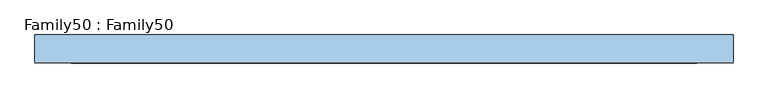
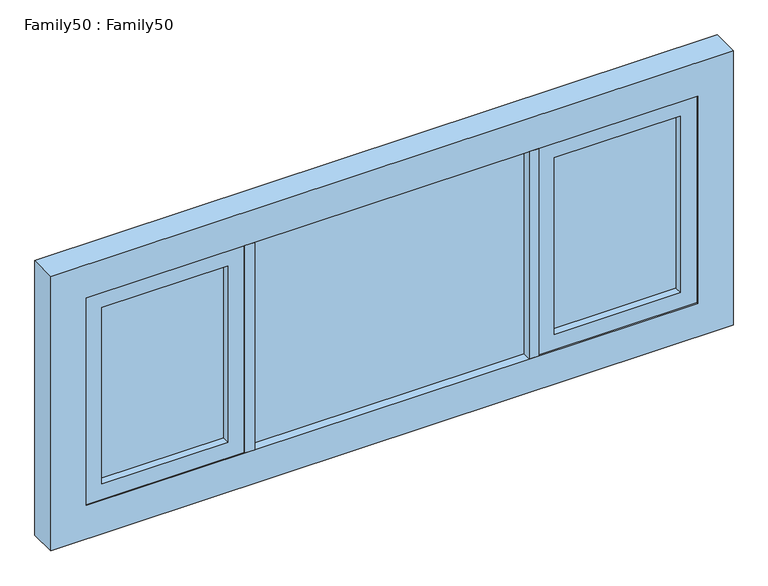
"""IFC4 building model written with IfcOpenShell, lengths in millimetres: window geometry, Family50 : Family50."""

from ifc_helpers import new_model, si_unit, frame, origin, place, context, project, spatial, polyline, outline, extrude, source, transform, mapped, element, save


def family50_family50_3b653a2d(model_context):
    return source(origin(), model_context, "Body", "SweptSolid", [
        extrude(outline(polyline([(420.0, 14.0), (420.0, 10.0), (-420.0, 10.0), (-420.0, 14.0), (420.0, 14.0)])), frame((0.0, 0.0, 909.0), z_axis=(0.0, 0.0, 1.0), x_axis=(1.0, 0.0, 0.0)), (0.0, 0.0, 1.0), 672.0),
        extrude(outline(polyline([(-420.0, -10.0), (420.0, -10.0), (420.0, -14.0), (-420.0, -14.0), (-420.0, -10.0)])), frame((0.0, 0.0, 909.0), z_axis=(0.0, 0.0, 1.0), x_axis=(1.0, 0.0, 0.0)), (0.0, 0.0, 1.0), 672.0),
        extrude(outline(polyline([(-500.0, 14.0), (-500.0, 10.0), (-886.0, 10.0), (-886.0, 14.0), (-500.0, 14.0)])), frame((0.0, 0.0, 959.0), z_axis=(0.0, 0.0, 1.0), x_axis=(1.0, 0.0, 0.0)), (0.0, 0.0, 1.0), 572.0),
        extrude(outline(polyline([(-500.0, -10.0), (-500.0, -14.0), (-886.0, -14.0), (-886.0, -10.0), (-500.0, -10.0)])), frame((0.0, 0.0, 959.0), z_axis=(0.0, 0.0, 1.0), x_axis=(1.0, 0.0, 0.0)), (0.0, 0.0, 1.0), 572.0),
        extrude(outline(polyline([(886.0, 14.0), (886.0, 10.0), (500.0, 10.0), (500.0, 14.0), (886.0, 14.0)])), frame((0.0, 0.0, 959.0), z_axis=(0.0, 0.0, 1.0), x_axis=(1.0, 0.0, 0.0)), (0.0, 0.0, 1.0), 572.0),
        extrude(outline(polyline([(500.0, -10.0), (886.0, -10.0), (886.0, -14.0), (500.0, -14.0), (500.0, -10.0)])), frame((0.0, 0.0, 959.0), z_axis=(0.0, 0.0, 1.0), x_axis=(1.0, 0.0, 0.0)), (0.0, 0.0, 1.0), 572.0),
        extrude(outline(polyline([(450.0, -42.0), (420.0, -42.0), (420.0, 42.0), (450.0, 42.0), (450.0, -42.0)])), frame((0.0, 0.0, 909.0), z_axis=(0.0, 0.0, 1.0), x_axis=(1.0, 0.0, 0.0)), (0.0, 0.0, 1.0), 672.0),
        extrude(outline(polyline([(-420.0, -42.0), (-450.0, -42.0), (-450.0, 42.0), (-420.0, 42.0), (-420.0, -42.0)])), frame((0.0, 0.0, 909.0), z_axis=(0.0, 0.0, 1.0), x_axis=(1.0, 0.0, 0.0)), (0.0, 0.0, 1.0), 672.0),
        extrude(outline(polyline([(1581.0, 450.0), (909.0, 450.0), (909.0, 936.0), (1581.0, 936.0), (1581.0, 450.0)]), holes=[polyline([(959.0, 500.0), (1531.0, 500.0), (1531.0, 886.0), (959.0, 886.0), (959.0, 500.0)])]), frame((0.0, -38.0, 0.0), z_axis=(0.0, 1.0, 0.0), x_axis=(0.0, 0.0, 1.0)), (0.0, 0.0, 1.0), 76.0),
        extrude(outline(polyline([(1581.0, -450.0), (1581.0, -936.0), (909.0, -936.0), (909.0, -450.0), (1581.0, -450.0)]), holes=[polyline([(959.0, -500.0), (959.0, -886.0), (1531.0, -886.0), (1531.0, -500.0), (959.0, -500.0)])]), frame((0.0, -38.0, 0.0), z_axis=(0.0, 1.0, 0.0), x_axis=(0.0, 0.0, 1.0)), (0.0, 0.0, 1.0), 76.0),
        extrude(outline(polyline([(1690.0, 1045.0), (1690.0, -1045.0), (800.0, -1045.0), (800.0, 1045.0), (1690.0, 1045.0)]), holes=[polyline([(909.0, 936.0), (909.0, -936.0), (1581.0, -936.0), (1581.0, 936.0), (909.0, 936.0)])]), frame((0.0, -42.0, 0.0), z_axis=(0.0, 1.0, 0.0), x_axis=(0.0, 0.0, 1.0)), (0.0, 0.0, 1.0), 84.0),
    ])


if __name__ == "__main__":
    model = new_model("IFC4")
    model_context = context("Model", 3, world=origin())
    ifc_project = project(units=[si_unit("LENGTHUNIT", "METRE", prefix="MILLI")], contexts=[model_context])
    site = spatial("IfcSite", under=ifc_project)
    building = spatial("IfcBuilding", under=site)
    placement = place(None, origin())
    family50_family50_shape = family50_family50_3b653a2d(model_context)
    element("IfcWindow", 1, ObjectType="Family50 : Family50", at=placement, inside=building, context=model_context, shape_type="MappedRepresentation", body=[
        mapped(family50_family50_shape, transform((0.0, 0.0, 0.0), x_axis=(1.0, 0.0, 0.0), y_axis=(0.0, 1.0, 0.0), z_axis=(0.0, 0.0, 1.0))),
    ])
    save(model, "model.ifc")
